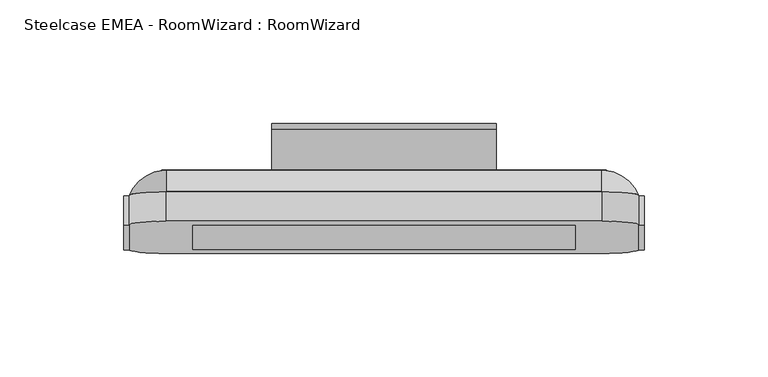
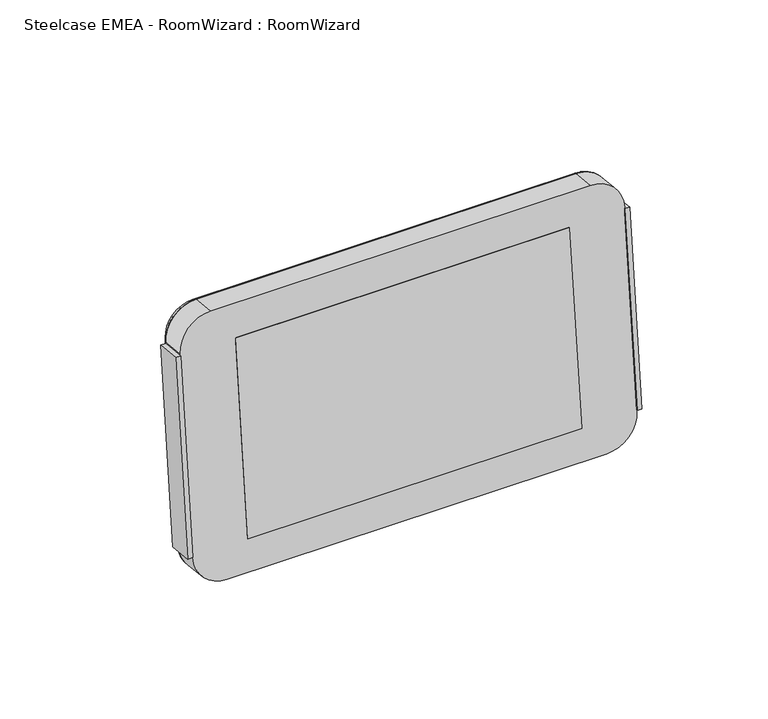
"""IFC4 building model written with IfcOpenShell, lengths in millimetres: furniture geometry, Steelcase EMEA - RoomWizard : RoomWizard."""

from ifc_helpers import new_model, si_unit, point, frame, frame_2d, origin, place, context, project, spatial, polyline, circle_curve, ellipse_curve, trimmed, segment, composite_curve, outline, extrude, source, transform, mapped, element, save
from ifc_brep_helpers import plane_surface, cylinder_surface, revolved_surface, advanced_brep


def steelcase_emea_roomwizard_roomwizard_8dc33d97(model_context):
    return source(origin(), model_context, "Body", "SolidModel", [
        extrude(outline(polyline([(0.0, -12.0958774), (0.0, 0.0), (2.2172854, 0.0), (2.2172854, -12.0958774), (0.0, -12.0958774)])), frame((-105.3780937, -39.1365151, 20.5137765), z_axis=(0.0, 0.10452846326765176, 0.9945218953682735), x_axis=(1.0, 0.0, 0.0)), (0.0, 0.0, 1.0), 93.6898961),
        extrude(outline(polyline([(0.0, -12.0958774), (0.0, 0.0), (2.2172853, 0.0), (2.2172853, -12.0958774), (0.0, -12.0958774)])), frame((105.378089, -51.16613, 21.7781399), z_axis=(0.0, 0.10452846326765176, 0.9945218953682735), x_axis=(-1.0, 0.0, 0.0)), (0.0, 0.0, 1.0), 93.6898961),
        extrude(outline(polyline([(0.0, -179.80739), (0.0, 0.0), (10.197342, 0.0), (10.197342, -179.80739), (0.0, -179.80739)])), frame((-89.9036973, -39.3176852, 17.32666), z_axis=(0.0, 0.10452846326764871, 0.9945218953682738), x_axis=(0.0, 0.9945218953682738, -0.10452846326764871)), (0.0, 0.0, 1.0), 99.3902194),
        advanced_brep(
        [(89.9036927, -19.102416, 113.3564506), (88.1608037, -18.9202344, 115.0897918), (88.1608037, -27.675202, 129.3401109), (103.1608037, -29.2431289, 114.4222824), (88.8319899, -29.2431289, 114.4222824), (88.1608037, -29.1729709, 115.0897918), (103.1608037, -39.1351963, 20.3055486), (89.9036927, -28.9944833, 19.2397167), (88.8319899, -39.1351963, 20.3055486), (88.1608037, -29.1766648, 17.5063754), (88.1608037, -40.7031232, 5.3877201), (88.1608037, -39.2053543, 19.6380392), (-88.1608083, -40.7031232, 5.3877201), (-88.1608083, -29.1766648, 17.5063754), (-88.1608083, -39.2053543, 19.6380392), (-89.9036973, -28.9944833, 19.2397167), (-103.1608083, -39.1351963, 20.3055486), (-88.8319946, -39.1351963, 20.3055486), (-103.1608083, -29.2431289, 114.4222824), (-89.9036973, -19.102416, 113.3564506), (-88.8319946, -29.2431289, 114.4222824), (-88.1608083, -18.9202344, 115.0897918), (-88.1608083, -27.675202, 129.3401109), (-88.1608083, -29.1729709, 115.0897918)],
        [
            (0, 1, circle_curve(frame((88.1608037, -19.102416, 113.3564506), z_axis=(0.0, -0.9945218953682735, 0.10452846326765175), x_axis=(0.0, 0.10452846326765175, 0.9945218953682735)), 1.742889)),
            (1, 2, circle_curve(frame((88.1608037, -36.5239438, 114.089156), z_axis=(1.0, 0.0, 0.0), x_axis=(0.0, -1.0, 0.0)), 17.6321257)),
            (2, 3, circle_curve(frame((88.1608037, -29.2431289, 114.4222824), z_axis=(0.0, 0.9945218953682735, -0.10452846326765175), x_axis=(0.0, 0.10452846326765175, 0.9945218953682735)), 15.0)),
            (3, 0, circle_curve(frame((87.0684498, -36.4097618, 115.1755259), z_axis=(0.0, 0.10452846326765174, 0.9945218953682735), x_axis=(-0.10452846326765178, -0.9890738003669032, 0.10395584540887749)), 17.6321257)),
            (4, 5, circle_curve(frame((88.1608037, -29.2431289, 114.4222824), z_axis=(0.0, -0.9945218953682735, 0.10452846326765175), x_axis=(0.0, 0.10452846326765175, 0.9945218953682735)), 0.6711862)),
            (5, 1),
            (0, 4),
            (3, 6),
            (6, 7, circle_curve(frame((87.0684498, -46.3018291, 21.058792), z_axis=(0.0, 0.10452846326765172, 0.9945218953682735), x_axis=(-0.10452846326765178, -0.9890738003669032, 0.10395584540887812)), 17.6321257)),
            (7, 0),
            (7, 8),
            (8, 4),
            (9, 7, circle_curve(frame((88.1608037, -28.9944833, 19.2397167), z_axis=(0.0, -0.9945218953682735, 0.10452846326765175), x_axis=(1.0, 0.0, 0.0)), 1.742889)),
            (6, 10, circle_curve(frame((88.1608037, -39.1351963, 20.3055486), z_axis=(0.0, 0.9945218953682735, -0.10452846326765175), x_axis=(1.0, 0.0, 0.0)), 15.0)),
            (10, 9, circle_curve(frame((88.1608037, -46.187647, 22.1451619), z_axis=(1.0, 0.0, 0.0), x_axis=(0.0, -0.9781476007338064, 0.20791169081775598)), 17.6321257)),
            (11, 8, circle_curve(frame((88.1608037, -39.1351963, 20.3055486), z_axis=(0.0, -0.9945218953682735, 0.10452846326765175), x_axis=(1.0, 0.0, 0.0)), 0.6711862)),
            (9, 11),
            (10, 12),
            (12, 13, circle_curve(frame((-88.1608083, -46.187647, 22.1451619), z_axis=(1.0, 0.0, 0.0), x_axis=(0.0, -0.9781476007338064, 0.20791169081775596)), 17.6321257)),
            (13, 9),
            (13, 14),
            (14, 11),
            (15, 13, circle_curve(frame((-88.1608083, -28.9944833, 19.2397167), z_axis=(0.0, -0.9945218953682735, 0.10452846326765175), x_axis=(0.0, -0.10452846326765175, -0.9945218953682735)), 1.742889)),
            (12, 16, circle_curve(frame((-88.1608083, -39.1351963, 20.3055486), z_axis=(0.0, 0.9945218953682735, -0.10452846326765175), x_axis=(0.0, -0.10452846326765175, -0.9945218953682735)), 15.0)),
            (16, 15, circle_curve(frame((-87.0684544, -46.3018291, 21.058792), z_axis=(0.0, -0.10452846326765178, -0.9945218953682735), x_axis=(0.10452846326765176, -0.9890738003669032, 0.10395584540887844)), 17.6321257)),
            (17, 14, circle_curve(frame((-88.1608083, -39.1351963, 20.3055486), z_axis=(0.0, -0.9945218953682735, 0.10452846326765175), x_axis=(0.0, -0.10452846326765175, -0.9945218953682735)), 0.6711862)),
            (15, 17),
            (16, 18),
            (18, 19, circle_curve(frame((-87.0684544, -36.4097618, 115.1755259), z_axis=(0.0, -0.1045284632676518, -0.9945218953682735), x_axis=(0.10452846326765176, -0.9890738003669032, 0.10395584540887785)), 17.6321257)),
            (19, 15),
            (19, 20),
            (20, 17),
            (21, 19, circle_curve(frame((-88.1608083, -19.102416, 113.3564506), z_axis=(0.0, -0.9945218953682735, 0.10452846326765175), x_axis=(-1.0, 0.0, 0.0)), 1.742889)),
            (18, 22, circle_curve(frame((-88.1608083, -29.2431289, 114.4222824), z_axis=(0.0, 0.9945218953682735, -0.10452846326765175), x_axis=(-1.0, 0.0, 0.0)), 15.0)),
            (22, 21, circle_curve(frame((-88.1608083, -36.5239438, 114.089156), z_axis=(-1.0000000000000002, 0.0, 0.0), x_axis=(0.0, -1.0, 0.0)), 17.6321257)),
            (23, 20, circle_curve(frame((-88.1608083, -29.2431289, 114.4222824), z_axis=(0.0, -0.9945218953682735, 0.10452846326765175), x_axis=(-1.0, 0.0, 0.0)), 0.6711862)),
            (21, 23),
            (22, 2),
            (1, 21),
            (5, 23),
        ],
        [
            revolved_surface(trimmed(ellipse_curve(frame((88.1608037, -36.5239438, 114.089156), z_axis=(-1.0, 0.0, 0.0), x_axis=(0.0, -1.0, 0.0)), 17.6321257, 17.6321257), [point((88.1608037, -27.675202, 129.3401109))], [point((88.1608037, -18.9202344, 115.0897918))], True, "CARTESIAN"), (88.1608037, -41.2143099, 115.6805043), (0.0, 0.9945218953682735, -0.10452846326765175)),
            revolved_surface(polyline([(88.1608037, -18.9202344, 115.0897918), (88.1608037, -29.1729709, 115.0897918)]), (88.1608037, -41.2143099, 115.6805043), (0.0, 0.9945218953682735, -0.10452846326765175)),
            cylinder_surface(frame((87.0684498, -36.4097618, 115.1755259), z_axis=(0.0, 0.10452846326765172, 0.9945218953682735), x_axis=(-0.10452846326765178, -0.9890738003669032, 0.10395584540887812)), 17.6321257),
            plane_surface(frame((89.9036927, -19.102416, 113.3564506), z_axis=(-0.9945218953682738, 0.1039558454088749, -0.010926199633094883), x_axis=(0.0, -0.1045284632676517, -0.9945218953682735))),
            revolved_surface(trimmed(ellipse_curve(frame((87.0684498, -46.3018291, 21.058792), z_axis=(0.0, 0.10452846326765172, 0.9945218953682735), x_axis=(-0.10452846326765178, -0.9890738003669032, 0.10395584540887805)), 17.6321257, 17.6321257), [point((103.1608037, -39.1351963, 20.3055486))], [point((89.9036927, -28.9944833, 19.2397167))], True, "CARTESIAN"), (88.1608037, -51.1063772, 21.5637704), (0.0, 0.9945218953682735, -0.10452846326765175)),
            revolved_surface(polyline([(89.9036927, -28.9944833, 19.2397167), (88.8319899, -39.1351963, 20.3055486)]), (88.1608037, -51.1063772, 21.5637704), (0.0, 0.9945218953682735, -0.10452846326765175)),
            cylinder_surface(frame((88.1608037, -46.187647, 22.1451619), z_axis=(1.0, 0.0, 0.0), x_axis=(0.0, -0.9781476007338064, 0.20791169081775596)), 17.6321257),
            plane_surface(frame((88.1608037, -29.1766648, 17.5063754), z_axis=(0.0, 0.20791169081775274, 0.978147600733807), x_axis=(-1.0, 0.0, 0.0))),
            revolved_surface(trimmed(ellipse_curve(frame((-88.1608083, -46.187647, 22.1451619), z_axis=(1.0, 0.0, 0.0), x_axis=(0.0, -0.9781476007338064, 0.20791169081775596)), 17.6321257, 17.6321257), [point((-88.1608083, -40.7031232, 5.3877201))], [point((-88.1608083, -29.1766648, 17.5063754))], True, "CARTESIAN"), (-88.1608083, -51.1063772, 21.5637704), (0.0, 0.9945218953682735, -0.10452846326765175)),
            revolved_surface(polyline([(-88.1608083, -29.1766648, 17.5063754), (-88.1608083, -39.2053543, 19.6380392)]), (-88.1608083, -51.1063772, 21.5637704), (0.0, 0.9945218953682735, -0.10452846326765175)),
            cylinder_surface(frame((-87.0684544, -46.3018291, 21.058792), z_axis=(0.0, -0.1045284632676518, -0.9945218953682735), x_axis=(0.10452846326765176, -0.9890738003669032, 0.10395584540887785)), 17.6321257),
            plane_surface(frame((-89.9036973, -28.9944833, 19.2397167), z_axis=(0.9945218953682737, 0.10395584540887456, -0.01092619963309807), x_axis=(0.0, 0.10452846326765174, 0.9945218953682735))),
            revolved_surface(trimmed(ellipse_curve(frame((-87.0684544, -36.4097618, 115.1755259), z_axis=(0.0, -0.10452846326765182, -0.9945218953682737), x_axis=(0.1045284632676518, -0.9890738003669031, 0.10395584540887859)), 17.6321257, 17.6321257), [point((-103.1608083, -29.2431289, 114.4222824))], [point((-89.9036973, -19.102416, 113.3564506))], True, "CARTESIAN"), (-88.1608083, -41.2143099, 115.6805043), (0.0, 0.9945218953682735, -0.10452846326765175)),
            revolved_surface(polyline([(-89.9036973, -19.102416, 113.3564506), (-88.8319946, -29.2431289, 114.4222824)]), (-88.1608083, -41.2143099, 115.6805043), (0.0, 0.9945218953682735, -0.10452846326765175)),
            cylinder_surface(frame((-88.1608083, -36.5239438, 114.089156), z_axis=(-1.0, 0.0, 0.0), x_axis=(0.0, -1.0, 0.0)), 17.6321257),
            plane_surface(frame((-88.1608083, -18.9202344, 115.0897918), z_axis=(0.0, 0.0, -1.0), x_axis=(1.0, 0.0, 0.0))),
            plane_surface(frame((-88.1608083, -29.1729709, 115.0897918), z_axis=(0.0, -0.9945218953682735, 0.1045284632676517), x_axis=(1.0, 0.0, 0.0))),
        ],
        [
            (0, [[1, 2, 3, 4]]),
            (1, [[5, 6, -1, 7]]),
            (2, [[-4, 8, 9, 10]]),
            (3, [[-7, -10, 11, 12]]),
            (4, [[13, -9, 14, 15]]),
            (5, [[16, -11, -13, 17]]),
            (6, [[-15, 18, 19, 20]]),
            (7, [[-17, -20, 21, 22]]),
            (8, [[23, -19, 24, 25]]),
            (9, [[26, -21, -23, 27]]),
            (10, [[-25, 28, 29, 30]]),
            (11, [[-27, -30, 31, 32]]),
            (12, [[33, -29, 34, 35]]),
            (13, [[36, -31, -33, 37]]),
            (14, [[-35, 38, -2, 39]]),
            (15, [[-37, -39, -6, 40]]),
            (16, [[-38, -34, -28, -24, -18, -14, -8, -3], [-32, -36, -40, -5, -12, -16, -22, -26]]),
        ],
    ),
        extrude(outline(polyline([(0.0, -154.9421847), (0.0, 0.0), (7.8164391, 0.0), (7.8164391, -154.9421847), (0.0, -154.9421847)])), frame((-77.4710947, -51.0424526, 21.8621632), z_axis=(0.0, 0.10452846326765182, 0.9945218953682735), x_axis=(0.0, 0.9945218953682735, -0.10452846326765182)), (0.0, 0.0, 1.0), 93.2435775),
        extrude(outline(composite_curve([segment(trimmed(circle_curve(frame_2d((60.0265453, -2.3e-06)), 45.5), [point((60.0265453, -45.5000023))], [point((60.0265453, 45.4999977))], False, "CARTESIAN"), True, "CONTINUOUS"), segment(trimmed(circle_curve(frame_2d((60.0265453, -2.3e-06)), 45.5), [point((60.0265453, 45.4999977))], [point((60.0265453, -45.5000023))], False, "CARTESIAN"), True, "CONTINUOUS")], self_intersect=False)), frame((0.0, -32.0490301, 0.0), z_axis=(0.0, 1.0, 0.0), x_axis=(0.0, 0.0, 1.0)), (0.0, 0.0, 1.0), 29.5317761),
        extrude(outline(composite_curve([segment(trimmed(circle_curve(frame_2d((60.0265453, -2.3e-06)), 45.5), [point((60.0265453, -45.5000023))], [point((60.0265453, 45.4999977))], False, "CARTESIAN"), True, "CONTINUOUS"), segment(trimmed(circle_curve(frame_2d((60.0265453, -2.3e-06)), 45.5), [point((60.0265453, 45.4999977))], [point((60.0265453, -45.5000023))], False, "CARTESIAN"), True, "CONTINUOUS")], self_intersect=False)), frame((0.0, -2.517254, 0.0), z_axis=(0.0, 1.0, 0.0), x_axis=(0.0, 0.0, 1.0)), (0.0, 0.0, 1.0), 2.517254),
        extrude(outline(composite_curve([segment(trimmed(circle_curve(frame_2d((176.4763474, -15.0)), 15.0), [point((176.4763474, 0.0))], [point((191.4763474, -15.0))], False, "CARTESIAN"), True, "CONTINUOUS"), segment(polyline([(191.4763474, -15.0), (191.4763474, -109.6227439)]), True, "CONTINUOUS"), segment(trimmed(circle_curve(frame_2d((176.4763474, -109.6227439)), 15.0), [point((191.4763474, -109.6227439))], [point((176.4763474, -124.6227438))], False, "CARTESIAN"), True, "CONTINUOUS"), segment(polyline([(176.4763474, -124.6227438), (0.1547354, -124.6227438)]), True, "CONTINUOUS"), segment(trimmed(circle_curve(frame_2d((0.1547354, -109.6227439)), 15.0), [point((0.1547354, -124.6227438))], [point((-14.8452646, -109.6227439))], False, "CARTESIAN"), True, "CONTINUOUS"), segment(polyline([(-14.8452646, -109.6227439), (-14.8452646, -15.0)]), True, "CONTINUOUS"), segment(trimmed(circle_curve(frame_2d((0.1547354, -15.0)), 15.0), [point((-14.8452646, -15.0))], [point((0.1547354, 0.0))], False, "CARTESIAN"), True, "CONTINUOUS"), segment(polyline([(0.1547354, 0.0), (176.4763474, 0.0)]), True, "CONTINUOUS")], self_intersect=False), holes=[polyline([(10.844449, -109.3385627), (165.7866337, -109.3385627), (165.7866337, -16.0949851), (10.844449, -16.0949851), (10.844449, -109.3385627)])]), frame((-88.3155437, -27.5445414, 129.3332632), z_axis=(0.0, -0.9945218953682735, 0.10452846326765175), x_axis=(1.0, 0.0, 0.0)), (0.0, 0.0, 1.0), 12.1353983),
    ])


if __name__ == "__main__":
    model = new_model("IFC4")
    model_context = context("Model", 3, world=origin())
    ifc_project = project(units=[si_unit("LENGTHUNIT", "METRE", prefix="MILLI")], contexts=[model_context])
    site = spatial("IfcSite", under=ifc_project)
    building = spatial("IfcBuilding", under=site)
    placement = place(None, origin())
    steelcase_emea_roomwizard_roomwizard_shape = steelcase_emea_roomwizard_roomwizard_8dc33d97(model_context)
    element("IfcFurniture", 1, ObjectType="Steelcase EMEA - RoomWizard : RoomWizard", at=placement, inside=building, context=model_context, shape_type="MappedRepresentation", body=[
        mapped(steelcase_emea_roomwizard_roomwizard_shape, transform((0.0, 0.0, 0.0), x_axis=(1.0, 0.0, 0.0), y_axis=(0.0, 1.0, 0.0), z_axis=(0.0, 0.0, 1.0))),
    ])
    save(model, "model.ifc")
